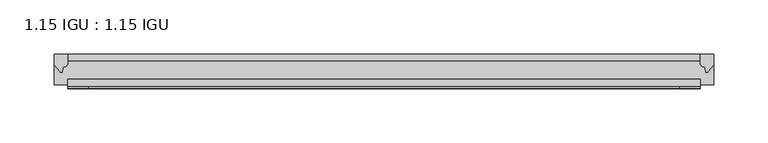
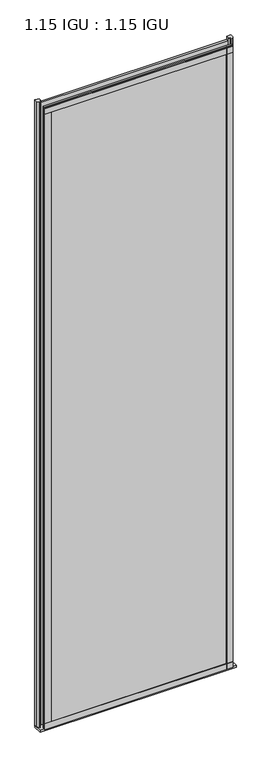
"""IFC4 building model written with IfcOpenShell, lengths in millimetres: plate geometry, 1.15 IGU : 1.15 IGU."""

import ifcopenshell
import ifcopenshell.guid

model = None  # the IFC model being written
_history = None  # IfcOwnerHistory: only IFC2X3 demands one
_inside = {}  # id of a spatial element -> (the spatial element, [elements in it])
_under = {}  # id of a project, library or spatial element -> (it, [spatial elements below it])
_declared = {}  # id of a project -> (the project, [libraries it declares])
_typed = {}  # id of a type object -> (the type object, [elements of that type])
_made_of = {}  # id of a material, layer set ... -> (it, [elements and type objects made of it])


def new_model(schema):
    """Start an empty IFC model of exactly this schema.

    Asked for "IFC4X3", IfcOpenShell would pick the latest addendum, in which some entities
    have other attributes; the version numbers below select the first issue.
    IFC2X3 requires an IfcOwnerHistory on every rooted entity: one is made here for all.
    """
    global model, _history
    if schema == "IFC4X3":
        model = ifcopenshell.file(schema_version=(4, 3, 0, 0))
    else:
        model = ifcopenshell.file(schema=schema)
    _inside.clear()
    _under.clear()
    _declared.clear()
    _typed.clear()
    _made_of.clear()
    _history = None
    if model.schema == "IFC2X3":
        org = make("IfcOrganization", Name="unknown")
        user = make(
            "IfcPersonAndOrganization",
            ThePerson=make("IfcPerson", FamilyName="unknown"),
            TheOrganization=org,
        )
        app = make(
            "IfcApplication",
            ApplicationDeveloper=org,
            Version="unknown",
            ApplicationFullName="unknown",
            ApplicationIdentifier="unknown",
        )
        _history = make(
            "IfcOwnerHistory",
            OwningUser=user,
            OwningApplication=app,
            ChangeAction="ADDED",
            CreationDate=0,
        )
    return model


def make(cls, **values):
    """One entity of the class cls with the attributes given. An attribute that is None is left unset."""
    return model.create_entity(
        cls, **{name: value for name, value in values.items() if value is not None}
    )


def rooted(cls, **values):
    """An entity with a GlobalId (a new one), such as an element, a storey or a relation."""
    return make(cls, GlobalId=ifcopenshell.guid.new(), OwnerHistory=_history, **values)


def si_unit(unit_type, name, prefix=None):
    """IfcSIUnit, for example si_unit("LENGTHUNIT", "METRE", prefix="MILLI")."""
    return make("IfcSIUnit", UnitType=unit_type, Prefix=prefix, Name=name)


def assignment(units):
    """IfcUnitAssignment: the units of a project."""
    return None if units is None else make("IfcUnitAssignment", Units=units)


def point(xyz):
    """IfcCartesianPoint."""
    return None if xyz is None else make("IfcCartesianPoint", Coordinates=xyz)


def direction(xyz):
    """IfcDirection."""
    return None if xyz is None else make("IfcDirection", DirectionRatios=xyz)


def frame(location, z_axis=None, x_axis=None):
    """IfcAxis2Placement3D, a coordinate frame: its origin and axes. An axis left out is left unset."""
    return make(
        "IfcAxis2Placement3D",
        Location=point(location),
        Axis=direction(z_axis),
        RefDirection=direction(x_axis),
    )


def frame_2d(location, x_axis=None):
    """IfcAxis2Placement2D, a coordinate frame in the plane: its origin and x axis."""
    return make(
        "IfcAxis2Placement2D", Location=point(location), RefDirection=direction(x_axis)
    )


def origin():
    """The frame at (0, 0, 0) with its axes left unset."""
    return frame((0.0, 0.0, 0.0))


def place(relative_to, where):
    """IfcLocalPlacement: puts the frame where relative to a parent placement (None: the world)."""
    return make(
        "IfcLocalPlacement", PlacementRelTo=relative_to, RelativePlacement=where
    )


def context(
    kind, dimensions, precision=None, world=None, true_north=None, identifier=None
):
    """IfcGeometricRepresentationContext, for example the 3D "Model" context."""
    return make(
        "IfcGeometricRepresentationContext",
        ContextIdentifier=identifier,
        ContextType=kind,
        CoordinateSpaceDimension=dimensions,
        Precision=precision,
        WorldCoordinateSystem=world,
        TrueNorth=true_north,
    )


def project(units=None, contexts=None):
    """IfcProject with its units and contexts."""
    return rooted(
        "IfcProject",
        Name="project",
        RepresentationContexts=contexts,
        UnitsInContext=assignment(units),
    )


def spatial(cls, under=None, at=None, **own):
    """A site, building, storey or space (cls), placed at a placement, below another one or the project."""
    s = rooted(cls, ObjectPlacement=at, **own)
    if under is not None:
        _under.setdefault(under.id(), (under, []))[1].append(s)
    return s


def polyline(points):
    """IfcPolyline through the points."""
    return make("IfcPolyline", Points=[point(p) for p in points])


def circle_curve(where, radius):
    """IfcCircle in the frame where."""
    return make("IfcCircle", Position=where, Radius=radius)


def trimmed(basis, trim1, trim2, sense, master):
    """IfcTrimmedCurve: the piece of a basis curve between two trims."""
    return make(
        "IfcTrimmedCurve",
        BasisCurve=basis,
        Trim1=trim1,
        Trim2=trim2,
        SenseAgreement=sense,
        MasterRepresentation=master,
    )


def segment(curve, same_sense, transition):
    """IfcCompositeCurveSegment."""
    return make(
        "IfcCompositeCurveSegment",
        Transition=transition,
        SameSense=same_sense,
        ParentCurve=curve,
    )


def composite_curve(segments, self_intersect=None):
    """IfcCompositeCurve: segments joined end to end."""
    return make("IfcCompositeCurve", Segments=segments, SelfIntersect=self_intersect)


def outline(outer, holes=None, kind="AREA"):
    """IfcArbitraryClosedProfileDef: a profile drawn as a closed curve; with holes, ...WithVoids."""
    if holes is None:
        return make("IfcArbitraryClosedProfileDef", ProfileType=kind, OuterCurve=outer)
    return make(
        "IfcArbitraryProfileDefWithVoids",
        ProfileType=kind,
        OuterCurve=outer,
        InnerCurves=holes,
    )


def extrude(swept, where, along, depth):
    """IfcExtrudedAreaSolid: the profile swept, set in the frame where, extruded along a direction by depth."""
    return make(
        "IfcExtrudedAreaSolid",
        SweptArea=swept,
        Position=where,
        ExtrudedDirection=direction(along),
        Depth=depth,
    )


def shape(context_of_items, identifier, shape_type, items):
    """IfcShapeRepresentation: the items that make up one representation, for example the "Body"."""
    return make(
        "IfcShapeRepresentation",
        ContextOfItems=context_of_items,
        RepresentationIdentifier=identifier,
        RepresentationType=shape_type,
        Items=items,
    )


def source(mapping_origin, context_of_items, identifier, shape_type, items):
    """IfcRepresentationMap: a shape defined once, which mapped items show again and again."""
    return make(
        "IfcRepresentationMap",
        MappingOrigin=mapping_origin,
        MappedRepresentation=shape(context_of_items, identifier, shape_type, items),
    )


def transform(
    local_origin,
    x_axis=None,
    y_axis=None,
    z_axis=None,
    scale=None,
    scale2=None,
    scale3=None,
    uniform=True,
):
    """IfcCartesianTransformationOperator3D, or its non-uniform kind. x_axis, y_axis, z_axis: its Axis1, 2, 3."""
    if uniform:
        return make(
            "IfcCartesianTransformationOperator3D",
            Axis1=direction(x_axis),
            Axis2=direction(y_axis),
            LocalOrigin=point(local_origin),
            Scale=scale,
            Axis3=direction(z_axis),
        )
    return make(
        "IfcCartesianTransformationOperator3DnonUniform",
        Axis1=direction(x_axis),
        Axis2=direction(y_axis),
        LocalOrigin=point(local_origin),
        Scale=scale,
        Axis3=direction(z_axis),
        Scale2=scale2,
        Scale3=scale3,
    )


def mapped(mapping_source, mapping_target):
    """IfcMappedItem: shows the shape of a source again, moved by a transform."""
    return make(
        "IfcMappedItem", MappingSource=mapping_source, MappingTarget=mapping_target
    )


def made_of(thing, what):
    """Note that an element or type object is made of a material, layer set ...; save() writes the relation."""
    if what is not None:
        _made_of.setdefault(what.id(), (what, []))[1].append(thing)
    return thing


def element(
    cls,
    number,
    at=None,
    inside=None,
    cuts=None,
    type_object=None,
    material=None,
    context=None,
    identifier="Body",
    shape_type=None,
    held_by="IfcProductDefinitionShape",
    body=None,
    shapes=None,
    **own,
):
    """One element of the class cls, such as IfcWall. Its Tag is "e" and its number.

    at: its placement. inside: the storey or other place that contains it. cuts: it is an
    opening in that element (IfcRelVoidsElement). A single representation is given by context,
    identifier, shape_type and body (its items); several are given by shapes. held_by: the class
    of the entity that holds the representations. save() writes the other relations.
    """
    e = rooted(cls, Tag="e%d" % number, ObjectPlacement=at, **own)
    if body is not None:
        shapes = [shape(context, identifier, shape_type, body)]
    if shapes is not None:
        e.Representation = make(held_by, Representations=shapes)
    if inside is not None:
        _inside.setdefault(inside.id(), (inside, []))[1].append(e)
    if cuts is not None:
        rooted(
            "IfcRelVoidsElement", RelatingBuildingElement=cuts, RelatedOpeningElement=e
        )
    if type_object is not None:
        _typed.setdefault(type_object.id(), (type_object, []))[1].append(e)
    return made_of(e, material)


def aggregate(whole, parts):
    """IfcRelAggregates: a whole, such as a stair, and the parts it consists of."""
    return rooted("IfcRelAggregates", RelatingObject=whole, RelatedObjects=parts)


def save(model, path):
    """Write the relations noted so far, then the file.

    IfcRelAggregates (storeys below a building ...), IfcRelContainedInSpatialStructure (elements
    in a storey), IfcRelDefinesByType, IfcRelAssociatesMaterial and IfcRelDeclares: one each for
    every whole, place, type object, material and project.
    """
    for whole, parts in _under.values():
        aggregate(whole, parts)
    for where, things in _inside.values():
        rooted(
            "IfcRelContainedInSpatialStructure",
            RelatedElements=things,
            RelatingStructure=where,
        )
    for kind, things in _typed.values():
        rooted("IfcRelDefinesByType", RelatedObjects=things, RelatingType=kind)
    for what, things in _made_of.values():
        rooted("IfcRelAssociatesMaterial", RelatedObjects=things, RelatingMaterial=what)
    for by, libraries in _declared.values():
        rooted("IfcRelDeclares", RelatingContext=by, RelatedDefinitions=libraries)
    model.write(path)


def plate_1_15_igu_1_15_igu_c5ad06e0(model_context):
    return source(origin(), model_context, "Body", "SweptSolid", [
        extrude(outline(polyline([(292.1, 0.0), (292.1, -6.2992), (-292.1, -6.2992), (-292.1, 0.0), (292.1, 0.0)])), frame((0.0, 0.0, -19.05), z_axis=(0.0, 0.0, 1.0), x_axis=(1.0, 0.0, 0.0)), (0.0, 0.0, 1.0), 2041.5250001),
        extrude(outline(polyline([(-292.1, -23.1648), (292.1, -23.1648), (292.1, -29.464), (-292.1, -29.464), (-292.1, -23.1648)])), frame((0.0, 0.0, -19.05), z_axis=(0.0, 0.0, 1.0), x_axis=(1.0, 0.0, 0.0)), (0.0, 0.0, 1.0), 2041.5250001),
        extrude(outline(composite_curve([segment(trimmed(circle_curve(frame_2d((10.9021792, -22.6833935)), 11.4916952), [point((0.0, -19.05))], [point((-0.2638007, -25.4))], True, "CARTESIAN"), True, "CONTINUOUS"), segment(polyline([(-0.2638007, -25.4), (-27.9952564, -25.4), (-27.9952564, -19.05), (0.0, -19.05)]), True, "CONTINUOUS")], self_intersect=False)), frame((-304.8, 0.0, 0.0), z_axis=(1.0, 0.0, 0.0), x_axis=(0.0, 1.0, 0.0)), (0.0, 0.0, 1.0), 609.6),
        extrude(outline(composite_curve([segment(polyline([(304.8, 0.0), (304.8, -9.7395025), (299.2337691, -16.3730781)]), True, "CONTINUOUS"), segment(trimmed(circle_curve(frame_2d((298.2800941, -15.7728374)), 1.1268473), [point((299.2337691, -16.3730781))], [point((297.1791412, -16.0130197))], False, "CARTESIAN"), True, "CONTINUOUS"), segment(polyline([(297.1791412, -16.0130197), (296.1989498, -11.7377885)]), True, "CONTINUOUS"), segment(trimmed(circle_curve(frame_2d((296.0714979, -7.7683362)), 3.9714979), [point((296.1989498, -11.7377885))], [point((292.1001786, -7.8060014))], False, "CARTESIAN"), True, "CONTINUOUS"), segment(polyline([(292.1001786, -7.8060014), (292.1001786, 0.0), (304.8, 0.0)]), True, "CONTINUOUS")], self_intersect=False)), frame((0.0, 0.0, -19.05), z_axis=(0.0, 0.0, 1.0), x_axis=(1.0, 0.0, 0.0)), (0.0, 0.0, 1.0), 2051.8374001),
        extrude(outline(composite_curve([segment(polyline([(-292.1, 8.8e-06), (-292.1, -7.7683362)]), True, "CONTINUOUS"), segment(trimmed(circle_curve(frame_2d((-296.0714979, -7.7683362)), 3.9714979), [point((-292.1, -7.7683362))], [point((-296.1989498, -11.7377885))], False, "CARTESIAN"), True, "CONTINUOUS"), segment(polyline([(-296.1989498, -11.7377885), (-297.1789843, -16.012436)]), True, "CONTINUOUS"), segment(trimmed(circle_curve(frame_2d((-298.2801933, -15.7723555)), 1.1270758), [point((-297.1789843, -16.012436))], [point((-299.2340327, -16.372764))], False, "CARTESIAN"), True, "CONTINUOUS"), segment(polyline([(-299.2340327, -16.372764), (-304.8, -9.7395025), (-304.8, 8.8e-06), (-292.1, 8.8e-06)]), True, "CONTINUOUS")], self_intersect=False)), frame((0.0, 0.0, -19.05), z_axis=(0.0, 0.0, 1.0), x_axis=(1.0, 0.0, 0.0)), (0.0, 0.0, 1.0), 2051.8374001),
        extrude(outline(polyline([(-292.1, -31.75), (-292.1, -29.464), (292.1, -29.464), (292.1, -31.75), (-292.1, -31.75)])), frame((0.0, 0.0, -19.05), z_axis=(0.0, 0.0, 1.0), x_axis=(1.0, 0.0, 0.0)), (0.0, 0.0, 1.0), 19.05),
        extrude(outline(polyline([(-292.1, -31.75), (-292.1, -29.464), (292.1, -29.464), (292.1, -31.75), (-292.1, -31.75)])), frame((0.0, 0.0, 2000.2500001), z_axis=(0.0, 0.0, 1.0), x_axis=(1.0, 0.0, 0.0)), (0.0, 0.0, 1.0), 19.05),
        extrude(outline(polyline([(273.05, -29.464), (292.1, -29.464), (292.1, -31.75), (273.05, -31.75), (273.05, -29.464)])), frame((0.0, 0.0, -19.05), z_axis=(0.0, 0.0, 1.0), x_axis=(1.0, 0.0, 0.0)), (0.0, 0.0, 1.0), 2041.5250001),
        extrude(outline(polyline([(-292.1, -31.75), (-292.1, -29.464), (-273.05, -29.464), (-273.05, -31.75), (-292.1, -31.75)])), frame((0.0, 0.0, -19.05), z_axis=(0.0, 0.0, 1.0), x_axis=(1.0, 0.0, 0.0)), (0.0, 0.0, 1.0), 2041.5250001),
    ])


if __name__ == "__main__":
    model = new_model("IFC4")
    model_context = context("Model", 3, world=origin())
    ifc_project = project(units=[si_unit("LENGTHUNIT", "METRE", prefix="MILLI")], contexts=[model_context])
    site = spatial("IfcSite", under=ifc_project)
    building = spatial("IfcBuilding", under=site)
    placement = place(None, origin())
    plate_1_15_igu_1_15_igu_shape = plate_1_15_igu_1_15_igu_c5ad06e0(model_context)
    element("IfcPlate", 1, ObjectType="1.15 IGU : 1.15 IGU", at=placement, inside=building, context=model_context, shape_type="MappedRepresentation", body=[
        mapped(plate_1_15_igu_1_15_igu_shape, transform((0.0, 0.0, 0.0), x_axis=(1.0, 0.0, 0.0), y_axis=(0.0, 1.0, 0.0), z_axis=(0.0, 0.0, 1.0))),
    ])
    save(model, "model.ifc")
